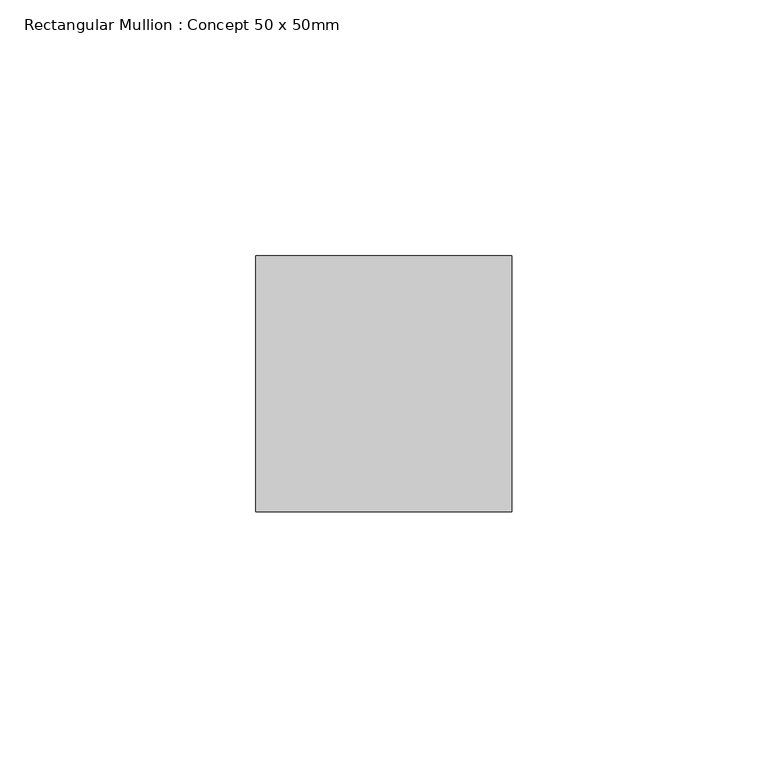
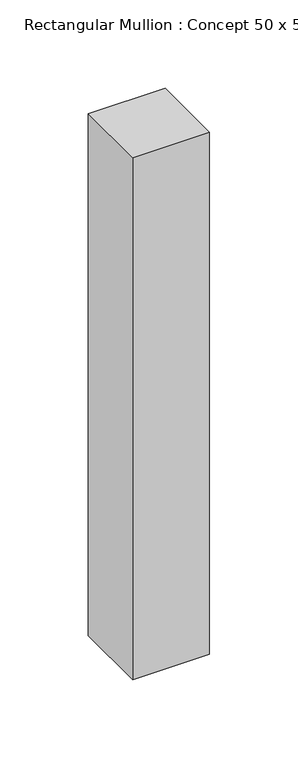
"""IFC4 building model written with IfcOpenShell, lengths in millimetres: member geometry, Rectangular Mullion : Concept 50 x 50mm."""

import ifcopenshell
import ifcopenshell.guid

model = None  # the IFC model being written
_history = None  # IfcOwnerHistory: only IFC2X3 demands one
_inside = {}  # id of a spatial element -> (the spatial element, [elements in it])
_under = {}  # id of a project, library or spatial element -> (it, [spatial elements below it])
_declared = {}  # id of a project -> (the project, [libraries it declares])
_typed = {}  # id of a type object -> (the type object, [elements of that type])
_made_of = {}  # id of a material, layer set ... -> (it, [elements and type objects made of it])


def new_model(schema):
    """Start an empty IFC model of exactly this schema.

    Asked for "IFC4X3", IfcOpenShell would pick the latest addendum, in which some entities
    have other attributes; the version numbers below select the first issue.
    IFC2X3 requires an IfcOwnerHistory on every rooted entity: one is made here for all.
    """
    global model, _history
    if schema == "IFC4X3":
        model = ifcopenshell.file(schema_version=(4, 3, 0, 0))
    else:
        model = ifcopenshell.file(schema=schema)
    _inside.clear()
    _under.clear()
    _declared.clear()
    _typed.clear()
    _made_of.clear()
    _history = None
    if model.schema == "IFC2X3":
        org = make("IfcOrganization", Name="unknown")
        user = make(
            "IfcPersonAndOrganization",
            ThePerson=make("IfcPerson", FamilyName="unknown"),
            TheOrganization=org,
        )
        app = make(
            "IfcApplication",
            ApplicationDeveloper=org,
            Version="unknown",
            ApplicationFullName="unknown",
            ApplicationIdentifier="unknown",
        )
        _history = make(
            "IfcOwnerHistory",
            OwningUser=user,
            OwningApplication=app,
            ChangeAction="ADDED",
            CreationDate=0,
        )
    return model


def make(cls, **values):
    """One entity of the class cls with the attributes given. An attribute that is None is left unset."""
    return model.create_entity(
        cls, **{name: value for name, value in values.items() if value is not None}
    )


def rooted(cls, **values):
    """An entity with a GlobalId (a new one), such as an element, a storey or a relation."""
    return make(cls, GlobalId=ifcopenshell.guid.new(), OwnerHistory=_history, **values)


def si_unit(unit_type, name, prefix=None):
    """IfcSIUnit, for example si_unit("LENGTHUNIT", "METRE", prefix="MILLI")."""
    return make("IfcSIUnit", UnitType=unit_type, Prefix=prefix, Name=name)


def assignment(units):
    """IfcUnitAssignment: the units of a project."""
    return None if units is None else make("IfcUnitAssignment", Units=units)


def point(xyz):
    """IfcCartesianPoint."""
    return None if xyz is None else make("IfcCartesianPoint", Coordinates=xyz)


def direction(xyz):
    """IfcDirection."""
    return None if xyz is None else make("IfcDirection", DirectionRatios=xyz)


def frame(location, z_axis=None, x_axis=None):
    """IfcAxis2Placement3D, a coordinate frame: its origin and axes. An axis left out is left unset."""
    return make(
        "IfcAxis2Placement3D",
        Location=point(location),
        Axis=direction(z_axis),
        RefDirection=direction(x_axis),
    )


def origin():
    """The frame at (0, 0, 0) with its axes left unset."""
    return frame((0.0, 0.0, 0.0))


def place(relative_to, where):
    """IfcLocalPlacement: puts the frame where relative to a parent placement (None: the world)."""
    return make(
        "IfcLocalPlacement", PlacementRelTo=relative_to, RelativePlacement=where
    )


def context(
    kind, dimensions, precision=None, world=None, true_north=None, identifier=None
):
    """IfcGeometricRepresentationContext, for example the 3D "Model" context."""
    return make(
        "IfcGeometricRepresentationContext",
        ContextIdentifier=identifier,
        ContextType=kind,
        CoordinateSpaceDimension=dimensions,
        Precision=precision,
        WorldCoordinateSystem=world,
        TrueNorth=true_north,
    )


def project(units=None, contexts=None):
    """IfcProject with its units and contexts."""
    return rooted(
        "IfcProject",
        Name="project",
        RepresentationContexts=contexts,
        UnitsInContext=assignment(units),
    )


def spatial(cls, under=None, at=None, **own):
    """A site, building, storey or space (cls), placed at a placement, below another one or the project."""
    s = rooted(cls, ObjectPlacement=at, **own)
    if under is not None:
        _under.setdefault(under.id(), (under, []))[1].append(s)
    return s


def polyline(points):
    """IfcPolyline through the points."""
    return make("IfcPolyline", Points=[point(p) for p in points])


def outline(outer, holes=None, kind="AREA"):
    """IfcArbitraryClosedProfileDef: a profile drawn as a closed curve; with holes, ...WithVoids."""
    if holes is None:
        return make("IfcArbitraryClosedProfileDef", ProfileType=kind, OuterCurve=outer)
    return make(
        "IfcArbitraryProfileDefWithVoids",
        ProfileType=kind,
        OuterCurve=outer,
        InnerCurves=holes,
    )


def extrude(swept, where, along, depth):
    """IfcExtrudedAreaSolid: the profile swept, set in the frame where, extruded along a direction by depth."""
    return make(
        "IfcExtrudedAreaSolid",
        SweptArea=swept,
        Position=where,
        ExtrudedDirection=direction(along),
        Depth=depth,
    )


def shape(context_of_items, identifier, shape_type, items):
    """IfcShapeRepresentation: the items that make up one representation, for example the "Body"."""
    return make(
        "IfcShapeRepresentation",
        ContextOfItems=context_of_items,
        RepresentationIdentifier=identifier,
        RepresentationType=shape_type,
        Items=items,
    )


def source(mapping_origin, context_of_items, identifier, shape_type, items):
    """IfcRepresentationMap: a shape defined once, which mapped items show again and again."""
    return make(
        "IfcRepresentationMap",
        MappingOrigin=mapping_origin,
        MappedRepresentation=shape(context_of_items, identifier, shape_type, items),
    )


def transform(
    local_origin,
    x_axis=None,
    y_axis=None,
    z_axis=None,
    scale=None,
    scale2=None,
    scale3=None,
    uniform=True,
):
    """IfcCartesianTransformationOperator3D, or its non-uniform kind. x_axis, y_axis, z_axis: its Axis1, 2, 3."""
    if uniform:
        return make(
            "IfcCartesianTransformationOperator3D",
            Axis1=direction(x_axis),
            Axis2=direction(y_axis),
            LocalOrigin=point(local_origin),
            Scale=scale,
            Axis3=direction(z_axis),
        )
    return make(
        "IfcCartesianTransformationOperator3DnonUniform",
        Axis1=direction(x_axis),
        Axis2=direction(y_axis),
        LocalOrigin=point(local_origin),
        Scale=scale,
        Axis3=direction(z_axis),
        Scale2=scale2,
        Scale3=scale3,
    )


def mapped(mapping_source, mapping_target):
    """IfcMappedItem: shows the shape of a source again, moved by a transform."""
    return make(
        "IfcMappedItem", MappingSource=mapping_source, MappingTarget=mapping_target
    )


def made_of(thing, what):
    """Note that an element or type object is made of a material, layer set ...; save() writes the relation."""
    if what is not None:
        _made_of.setdefault(what.id(), (what, []))[1].append(thing)
    return thing


def element(
    cls,
    number,
    at=None,
    inside=None,
    cuts=None,
    type_object=None,
    material=None,
    context=None,
    identifier="Body",
    shape_type=None,
    held_by="IfcProductDefinitionShape",
    body=None,
    shapes=None,
    **own,
):
    """One element of the class cls, such as IfcWall. Its Tag is "e" and its number.

    at: its placement. inside: the storey or other place that contains it. cuts: it is an
    opening in that element (IfcRelVoidsElement). A single representation is given by context,
    identifier, shape_type and body (its items); several are given by shapes. held_by: the class
    of the entity that holds the representations. save() writes the other relations.
    """
    e = rooted(cls, Tag="e%d" % number, ObjectPlacement=at, **own)
    if body is not None:
        shapes = [shape(context, identifier, shape_type, body)]
    if shapes is not None:
        e.Representation = make(held_by, Representations=shapes)
    if inside is not None:
        _inside.setdefault(inside.id(), (inside, []))[1].append(e)
    if cuts is not None:
        rooted(
            "IfcRelVoidsElement", RelatingBuildingElement=cuts, RelatedOpeningElement=e
        )
    if type_object is not None:
        _typed.setdefault(type_object.id(), (type_object, []))[1].append(e)
    return made_of(e, material)


def aggregate(whole, parts):
    """IfcRelAggregates: a whole, such as a stair, and the parts it consists of."""
    return rooted("IfcRelAggregates", RelatingObject=whole, RelatedObjects=parts)


def save(model, path):
    """Write the relations noted so far, then the file.

    IfcRelAggregates (storeys below a building ...), IfcRelContainedInSpatialStructure (elements
    in a storey), IfcRelDefinesByType, IfcRelAssociatesMaterial and IfcRelDeclares: one each for
    every whole, place, type object, material and project.
    """
    for whole, parts in _under.values():
        aggregate(whole, parts)
    for where, things in _inside.values():
        rooted(
            "IfcRelContainedInSpatialStructure",
            RelatedElements=things,
            RelatingStructure=where,
        )
    for kind, things in _typed.values():
        rooted("IfcRelDefinesByType", RelatedObjects=things, RelatingType=kind)
    for what, things in _made_of.values():
        rooted("IfcRelAssociatesMaterial", RelatedObjects=things, RelatingMaterial=what)
    for by, libraries in _declared.values():
        rooted("IfcRelDeclares", RelatingContext=by, RelatedDefinitions=libraries)
    model.write(path)


def rectangular_mullion_concept_50_x_50mm_65881d68(model_context):
    return source(origin(), model_context, "Body", "SweptSolid", [
        extrude(outline(polyline([(0.0, 50.0), (0.0, 0.0), (-50.0, 0.0), (-50.0, 50.0), (0.0, 50.0)])), frame((0.0, 0.0, -360.0), z_axis=(0.0, 0.0, 1.0), x_axis=(1.0, 0.0, 0.0)), (0.0, 0.0, 1.0), 360.0),
    ])


if __name__ == "__main__":
    model = new_model("IFC4")
    model_context = context("Model", 3, world=origin())
    ifc_project = project(units=[si_unit("LENGTHUNIT", "METRE", prefix="MILLI")], contexts=[model_context])
    site = spatial("IfcSite", under=ifc_project)
    building = spatial("IfcBuilding", under=site)
    placement = place(None, origin())
    rectangular_mullion_concept_50_x_50mm_shape = rectangular_mullion_concept_50_x_50mm_65881d68(model_context)
    element("IfcMember", 1, ObjectType="Rectangular Mullion : Concept 50 x 50mm", at=placement, inside=building, context=model_context, shape_type="MappedRepresentation", body=[
        mapped(rectangular_mullion_concept_50_x_50mm_shape, transform((0.0, 0.0, 0.0), x_axis=(1.0, 0.0, 0.0), y_axis=(0.0, 1.0, 0.0), z_axis=(0.0, 0.0, 1.0))),
    ])
    save(model, "model.ifc")
